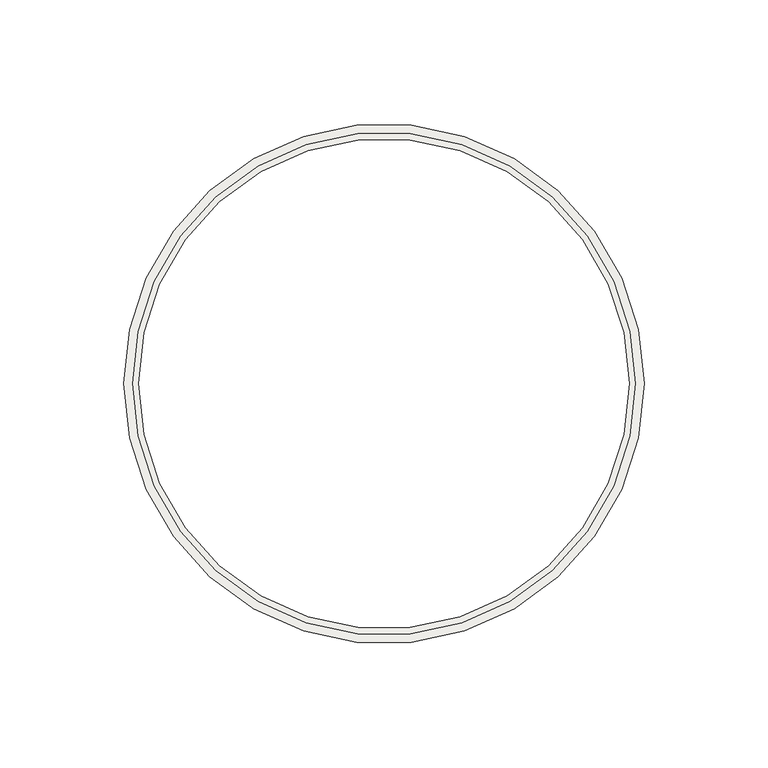
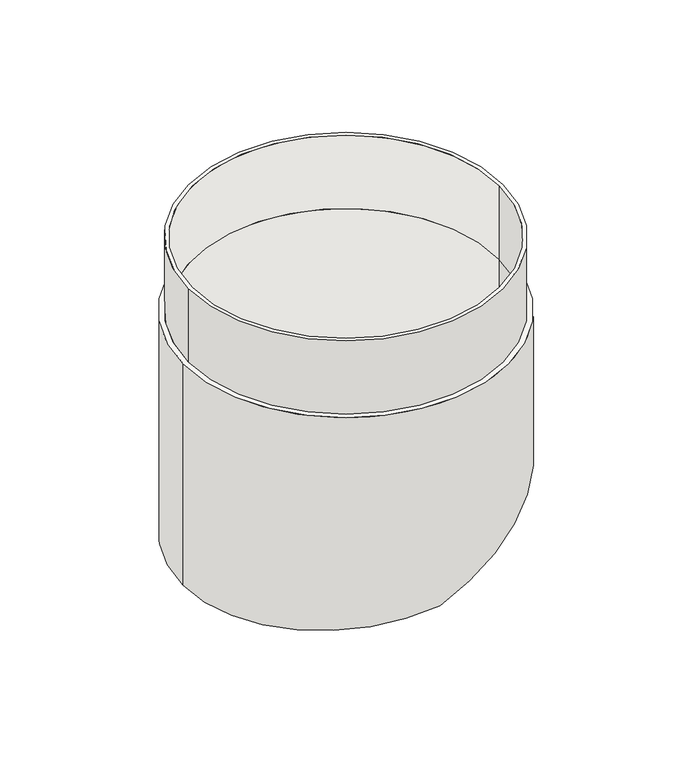
"""IFC4 building model written with IfcOpenShell, lengths in millimetres: covering geometry."""

from ifc_helpers import new_model, si_unit, frame, origin, origin_with_axes, place, context, project, spatial, polyline, circle_curve, ellipse_curve, source, transform, mapped, element, save
from ifc_brep_helpers import plane_surface, cylinder_surface, revolved_surface, advanced_brep


def covering_9a535234(model_context):
    return source(origin(), model_context, "Body", "AdvancedBrep", [
        advanced_brep(
        [(-101.5, 0.0, 50.0), (101.5, 0.0, 50.0), (-99.0, 0.0, 50.0), (99.0, 0.0, 50.0), (-101.5, 0.0, 0.0), (101.5, 0.0, 0.0), (-99.0, 0.0, 0.0), (99.0, 0.0, 0.0), (-105.0, 0.0, 0.0), (105.0, 0.0, 0.0), (-105.0, 0.0, -151.0886176), (0.0, -105.0, -138.1962387), (105.0, 0.0, -93.626383), (0.0, 105.0, -138.1962387), (-99.0, 0.0, -150.3519102), (0.0, 99.0, -138.1962387), (99.0, 0.0, -96.1732319), (0.0, -99.0, -138.1962387)],
        [
            (0, 1, circle_curve(frame((0.0, 0.0, 50.0), z_axis=(0.0, 0.0, 1.0), x_axis=(1.0, 0.0, 0.0)), 101.5)),
            (1, 0, circle_curve(frame((0.0, 0.0, 50.0), z_axis=(0.0, 0.0, 1.0), x_axis=(1.0, 0.0, 0.0)), 101.5)),
            (2, 3, circle_curve(frame((0.0, 0.0, 50.0), z_axis=(0.0, 0.0, -1.0), x_axis=(1.0, 0.0, 0.0)), 99.0)),
            (3, 2, circle_curve(frame((0.0, 0.0, 50.0), z_axis=(0.0, 0.0, -1.0), x_axis=(1.0, 0.0, 0.0)), 99.0)),
            (0, 4),
            (4, 5, circle_curve(origin_with_axes(), 101.5)),
            (5, 1),
            (5, 4, circle_curve(origin_with_axes(), 101.5)),
            (2, 6),
            (6, 7, circle_curve(frame((0.0, 0.0, 0.0), z_axis=(0.0, 0.0, -1.0), x_axis=(1.0, 0.0, 0.0)), 99.0)),
            (7, 3),
            (7, 6, circle_curve(frame((0.0, 0.0, 0.0), z_axis=(0.0, 0.0, -1.0), x_axis=(1.0, 0.0, 0.0)), 99.0)),
            (8, 9, circle_curve(origin_with_axes(), 105.0)),
            (9, 8, circle_curve(origin_with_axes(), 105.0)),
            (8, 10),
            (10, 11, ellipse_curve(frame((0.0, 0.0, -138.1962387), z_axis=(-0.12186934340514416, 0.0, 0.9925461516413224), x_axis=(0.9925461516413225, 0.0, 0.12186934340514397)), 105.7885317, 105.0)),
            (11, 12, ellipse_curve(frame((0.0, 0.0, -138.1962387), z_axis=(-0.39073112848927044, 0.0, 0.9205048534524417), x_axis=(0.9205048534524417, 0.0, 0.3907311284892706)), 114.0678396, 105.0)),
            (12, 9),
            (12, 13, ellipse_curve(frame((0.0, 0.0, -138.1962387), z_axis=(-0.39073112848927044, 0.0, 0.9205048534524417), x_axis=(0.9205048534524417, 0.0, 0.3907311284892706)), 114.0678396, 105.0)),
            (13, 10, ellipse_curve(frame((0.0, 0.0, -138.1962387), z_axis=(-0.12186934340514416, 0.0, 0.9925461516413224), x_axis=(0.9925461516413225, 0.0, 0.12186934340514397)), 105.7885317, 105.0)),
            (6, 14),
            (14, 15, ellipse_curve(frame((0.0, 0.0, -138.1962387), z_axis=(0.12186934340514416, 0.0, -0.9925461516413224), x_axis=(-0.9925461516413225, 0.0, -0.12186934340514397)), 99.7434727, 99.0)),
            (15, 16, ellipse_curve(frame((0.0, 0.0, -138.1962387), z_axis=(0.39073112848927044, 0.0, -0.9205048534524417), x_axis=(-0.9205048534524417, 0.0, -0.3907311284892706)), 107.5496774, 99.0)),
            (16, 7),
            (16, 17, ellipse_curve(frame((0.0, 0.0, -138.1962387), z_axis=(0.39073112848927044, 0.0, -0.9205048534524417), x_axis=(-0.9205048534524417, 0.0, -0.3907311284892706)), 107.5496774, 99.0)),
            (17, 14, ellipse_curve(frame((0.0, 0.0, -138.1962387), z_axis=(0.12186934340514416, 0.0, -0.9925461516413224), x_axis=(-0.9925461516413225, 0.0, -0.12186934340514397)), 99.7434727, 99.0)),
            (15, 13),
            (11, 17),
        ],
        [
            plane_surface(frame((101.5, 0.0, 50.0), z_axis=(0.0, 0.0, 1.0), x_axis=(0.0, 1.0, 0.0))),
            cylinder_surface(origin_with_axes(), 101.5),
            revolved_surface(polyline([(99.0, 0.0, 0.0), (99.0, 0.0, 50.0)]), (0.0, 0.0, 0.0), (0.0, 0.0, -1.0)),
            plane_surface(frame((105.0, 0.0, 0.0), z_axis=(0.0, 0.0, 1.0), x_axis=(0.0, 1.0, 0.0))),
            cylinder_surface(frame((0.0, 0.0, -156.0), z_axis=(0.0, 0.0, 1.0), x_axis=(1.0, 0.0, 0.0)), 105.0),
            revolved_surface(polyline([(99.0, 0.0, -180.21924551915902), (99.0, 0.0, 0.0)]), (0.0, 0.0, 0.0), (0.0, 0.0, -1.0)),
            plane_surface(frame((215.0, -180.0, -46.9341532), z_axis=(0.39073112848927044, 0.0, -0.9205048534524417), x_axis=(0.0, 1.0, 0.0))),
            plane_surface(frame((0.0, -180.0, -138.1962387), z_axis=(0.12186934340514416, 0.0, -0.9925461516413224), x_axis=(0.0, 1.0, 0.0))),
        ],
        [
            (0, [[1, 2], [3, 4]]),
            (1, [[-1, 5, 6, 7]]),
            (1, [[-2, -7, 8, -5]]),
            (2, [[-3, 9, 10, 11]]),
            (2, [[-4, -11, 12, -9]]),
            (3, [[13, 14], [-6, -8]]),
            (4, [[-13, 15, 16, 17, 18]]),
            (4, [[-14, -18, 19, 20, -15]]),
            (5, [[21, 22, 23, 24, -10]]),
            (5, [[-21, -12, -24, 25, 26]]),
            (6, [[27, -19, -17, 28, -25, -23]]),
            (7, [[-27, -22, -26, -28, -16, -20]]),
        ],
    ),
    ])


if __name__ == "__main__":
    model = new_model("IFC4")
    model_context = context("Model", 3, world=origin())
    ifc_project = project(units=[si_unit("LENGTHUNIT", "METRE", prefix="MILLI")], contexts=[model_context])
    site = spatial("IfcSite", under=ifc_project)
    building = spatial("IfcBuilding", under=site)
    placement = place(None, origin())
    covering_shape = covering_9a535234(model_context)
    element("IfcCovering", 1, at=placement, inside=building, context=model_context, shape_type="MappedRepresentation", body=[
        mapped(covering_shape, transform((0.0, 0.0, 0.0), x_axis=(1.0, 0.0, 0.0), y_axis=(0.0, 1.0, 0.0), z_axis=(0.0, 0.0, 1.0))),
    ])
    save(model, "model.ifc")
